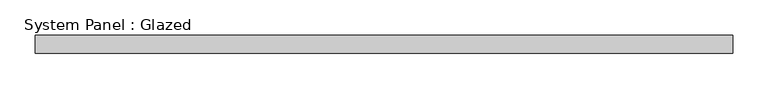
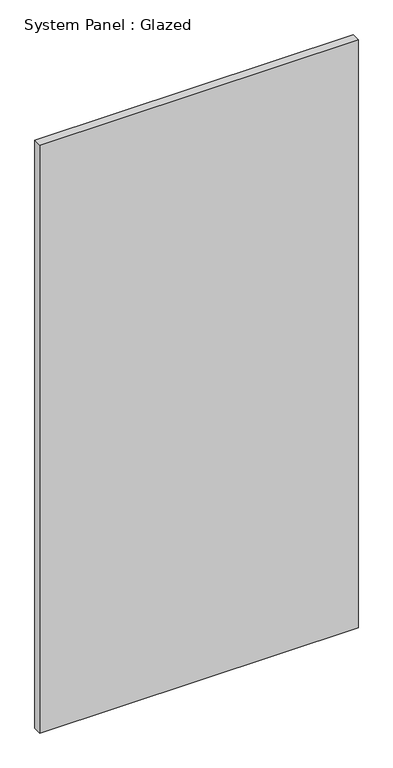
"""IFC4 building model written with IfcOpenShell, lengths in millimetres: plate geometry, System Panel : Glazed."""

from ifc_helpers import new_model, si_unit, origin, origin_with_axes, place, context, project, spatial, polyline, outline, extrude, source, transform, mapped, element, save


def system_panel_glazed_c2f0a8eb(model_context):
    return source(origin(), model_context, "Body", "SweptSolid", [
        extrude(outline(polyline([(491.6177345, 24.5), (-491.6177345, 24.5), (-491.6177345, 49.5), (491.6177345, 49.5), (491.6177345, 24.5)])), origin_with_axes(), (0.0, 0.0, 1.0), 1919.7532875),
    ])


if __name__ == "__main__":
    model = new_model("IFC4")
    model_context = context("Model", 3, world=origin())
    ifc_project = project(units=[si_unit("LENGTHUNIT", "METRE", prefix="MILLI")], contexts=[model_context])
    site = spatial("IfcSite", under=ifc_project)
    building = spatial("IfcBuilding", under=site)
    placement = place(None, origin())
    system_panel_glazed_shape = system_panel_glazed_c2f0a8eb(model_context)
    element("IfcPlate", 1, ObjectType="System Panel : Glazed", at=placement, inside=building, context=model_context, shape_type="MappedRepresentation", body=[
        mapped(system_panel_glazed_shape, transform((0.0, 0.0, 0.0), x_axis=(1.0, 0.0, 0.0), y_axis=(0.0, 1.0, 0.0), z_axis=(0.0, 0.0, 1.0))),
    ])
    save(model, "model.ifc")
